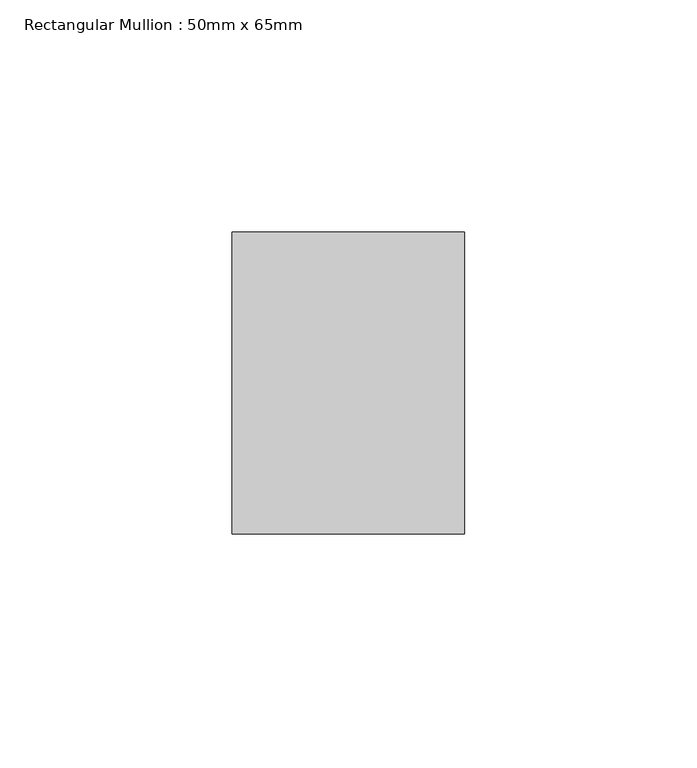
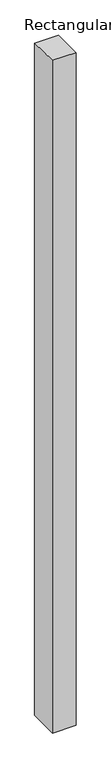
"""IFC4 building model written with IfcOpenShell, lengths in millimetres: member geometry, Rectangular Mullion : 50mm x 65mm."""

from ifc_helpers import new_model, si_unit, origin, place, context, project, spatial, faceted_brep, source, transform, mapped, element, save


def rectangular_mullion_50mm_x_65mm_3653305a(model_context):
    return source(origin(), model_context, "Body", "Brep", [
        faceted_brep([(-25.0, 32.5, -0.3057242), (25.0, 32.5, -0.3057229), (25.0, 32.5, -1499.7970042), (-25.0, 32.5, -1499.7970033), (-25.0, -32.5, 0.3057229), (-25.0, -32.5, -1500.2024784), (25.0, -32.5, 0.3057242), (25.0, -32.5, -1500.2024794)], [[[0, 1, 2, 3]], [[4, 0, 3, 5]], [[6, 4, 5, 7]], [[1, 6, 7, 2]], [[1, 0, 4, 6]], [[2, 7, 5, 3]]]),
    ])


if __name__ == "__main__":
    model = new_model("IFC4")
    model_context = context("Model", 3, world=origin())
    ifc_project = project(units=[si_unit("LENGTHUNIT", "METRE", prefix="MILLI")], contexts=[model_context])
    site = spatial("IfcSite", under=ifc_project)
    building = spatial("IfcBuilding", under=site)
    placement = place(None, origin())
    rectangular_mullion_50mm_x_65mm_shape = rectangular_mullion_50mm_x_65mm_3653305a(model_context)
    element("IfcMember", 1, ObjectType="Rectangular Mullion : 50mm x 65mm", at=placement, inside=building, context=model_context, shape_type="MappedRepresentation", body=[
        mapped(rectangular_mullion_50mm_x_65mm_shape, transform((0.0, 0.0, 0.0), x_axis=(1.0, 0.0, 0.0), y_axis=(0.0, 1.0, 0.0), z_axis=(0.0, 0.0, 1.0))),
    ])
    save(model, "model.ifc")
